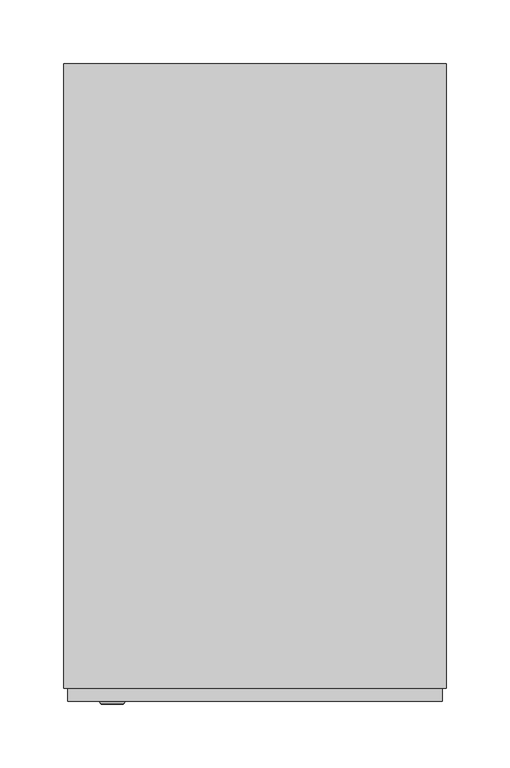
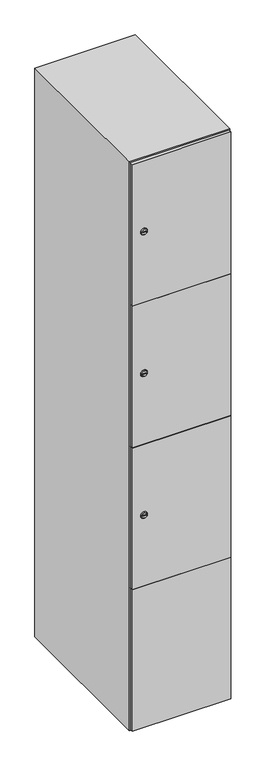
"""IFC4 building model written with IfcOpenShell, lengths in millimetres: furniture geometry."""

from ifc_helpers import new_model, si_unit, point, frame, frame_2d, origin, place, context, project, spatial, polyline, circle_curve, trimmed, segment, composite_curve, outline, extrude, faceted_brep, source, transform, mapped, element, save
from ifc_brep_helpers import plane_surface, revolved_surface, advanced_brep


def furniture_d76f5373(model_context):
    return source(origin(), model_context, "Body", "SolidModel", [
        extrude(outline(composite_curve([segment(trimmed(circle_curve(frame_2d((710.75, -188.7989466)), 7.0), [point((717.75, -188.7989466))], [point((703.75, -188.7989466))], False, "CARTESIAN"), True, "CONTINUOUS"), segment(polyline([(703.75, -188.7989466), (703.75, -160.7989466)]), True, "CONTINUOUS"), segment(trimmed(circle_curve(frame_2d((710.75, -160.7989466)), 7.0), [point((703.75, -160.7989466))], [point((717.75, -160.7989466))], False, "CARTESIAN"), True, "CONTINUOUS"), segment(polyline([(717.75, -160.7989466), (717.75, -188.7989466)]), True, "CONTINUOUS")], self_intersect=False)), frame((0.0, -245.0, 0.0), z_axis=(0.0, 1.0, 0.0), x_axis=(0.0, 0.0, 1.0)), (0.0, 0.0, 1.0), 2.0),
        advanced_brep(
        [(-153.5, -257.2, 710.75), (-170.5, -257.2, 710.75), (-167.0, -257.2, 709.5), (-167.0, -257.2, 712.0), (-157.0, -257.2, 712.0), (-157.0, -257.2, 709.5), (-151.5, -255.0, 710.75), (-172.5, -255.0, 710.75), (-167.0, -255.0, 712.0), (-167.0, -255.0, 709.5), (-157.0, -255.0, 709.5), (-157.0, -255.0, 712.0)],
        [
            (0, 1, circle_curve(frame((-162.0, -257.2, 710.75), z_axis=(0.0, -1.0, 0.0), x_axis=(1.0, 0.0, 0.0)), 8.5)),
            (1, 0, circle_curve(frame((-162.0, -257.2, 710.75), z_axis=(0.0, -1.0, 0.0), x_axis=(-1.0, 0.0, 0.0)), 8.5)),
            (2, 3),
            (3, 4),
            (4, 5),
            (5, 2),
            (6, 7, circle_curve(frame((-162.0, -255.0, 710.75), z_axis=(0.0, 1.0, 0.0), x_axis=(-1.0, 0.0, 0.0)), 10.5)),
            (7, 6, circle_curve(frame((-162.0, -255.0, 710.75), z_axis=(0.0, 1.0, 0.0), x_axis=(1.0, 0.0, 0.0)), 10.5)),
            (8, 9),
            (9, 10),
            (10, 11),
            (11, 8),
            (0, 6),
            (7, 1),
            (8, 3),
            (2, 9),
            (11, 4),
            (10, 5),
        ],
        [
            plane_surface(frame((-162.0, -257.2, 710.75), z_axis=(0.0, -1.0, 0.0), x_axis=(0.0, 0.0, 1.0))),
            plane_surface(frame((-162.0, -255.0, 710.75), z_axis=(0.0, 1.0, 0.0), x_axis=(0.0, 0.0, 1.0))),
            revolved_surface(polyline([(-153.5, -257.2, 710.75), (-151.5, -255.0, 710.75)]), (-162.0, -266.55, 710.75), (0.0, 1.0, 0.0)),
            revolved_surface(polyline([(-170.5, -257.2, 710.75), (-172.5, -255.0, 710.75)]), (-162.0, -266.55, 710.75), (0.0, 1.0, 0.0)),
            plane_surface(frame((-167.0, -255.0, 709.5), z_axis=(1.0, 0.0, 0.0), x_axis=(0.0, -1.0, 0.0))),
            plane_surface(frame((-167.0, -255.0, 712.0), z_axis=(0.0, 0.0, -1.0), x_axis=(0.0, -1.0, 0.0))),
            plane_surface(frame((-157.0, -255.0, 712.0), z_axis=(-1.0, 0.0, 0.0), x_axis=(0.0, -1.0, 0.0))),
            plane_surface(frame((-157.0, -255.0, 709.5), z_axis=(0.0, 0.0, 1.0), x_axis=(0.0, -1.0, 0.0))),
        ],
        [
            (0, [[1, 2], [3, 4, 5, 6]]),
            (1, [[7, 8], [9, 10, 11, 12]]),
            (2, [[-1, 13, -8, 14]]),
            (3, [[-2, -14, -7, -13]]),
            (4, [[15, -3, 16, -9]]),
            (5, [[-15, -12, 17, -4]]),
            (6, [[-17, -11, 18, -5]]),
            (7, [[-16, -6, -18, -10]]),
        ],
    ),
        extrude(outline(composite_curve([segment(trimmed(circle_curve(frame_2d((1159.25, -188.7989466)), 7.0), [point((1166.25, -188.7989466))], [point((1152.25, -188.7989466))], False, "CARTESIAN"), True, "CONTINUOUS"), segment(polyline([(1152.25, -188.7989466), (1152.25, -160.7989466)]), True, "CONTINUOUS"), segment(trimmed(circle_curve(frame_2d((1159.25, -160.7989466)), 7.0), [point((1152.25, -160.7989466))], [point((1166.25, -160.7989466))], False, "CARTESIAN"), True, "CONTINUOUS"), segment(polyline([(1166.25, -160.7989466), (1166.25, -188.7989466)]), True, "CONTINUOUS")], self_intersect=False)), frame((0.0, -245.0, 0.0), z_axis=(0.0, 1.0, 0.0), x_axis=(0.0, 0.0, 1.0)), (0.0, 0.0, 1.0), 2.0),
        advanced_brep(
        [(-153.5, -257.2, 1159.25), (-170.5, -257.2, 1159.25), (-167.0, -257.2, 1158.0), (-167.0, -257.2, 1160.5), (-157.0, -257.2, 1160.5), (-157.0, -257.2, 1158.0), (-151.5, -255.0, 1159.25), (-172.5, -255.0, 1159.25), (-167.0, -255.0, 1160.5), (-167.0, -255.0, 1158.0), (-157.0, -255.0, 1158.0), (-157.0, -255.0, 1160.5)],
        [
            (0, 1, circle_curve(frame((-162.0, -257.2, 1159.25), z_axis=(0.0, -1.0, 0.0), x_axis=(1.0, 0.0, 0.0)), 8.5)),
            (1, 0, circle_curve(frame((-162.0, -257.2, 1159.25), z_axis=(0.0, -1.0, 0.0), x_axis=(-1.0, 0.0, 0.0)), 8.5)),
            (2, 3),
            (3, 4),
            (4, 5),
            (5, 2),
            (6, 7, circle_curve(frame((-162.0, -255.0, 1159.25), z_axis=(0.0, 1.0, 0.0), x_axis=(-1.0, 0.0, 0.0)), 10.5)),
            (7, 6, circle_curve(frame((-162.0, -255.0, 1159.25), z_axis=(0.0, 1.0, 0.0), x_axis=(1.0, 0.0, 0.0)), 10.5)),
            (8, 9),
            (9, 10),
            (10, 11),
            (11, 8),
            (0, 6),
            (7, 1),
            (8, 3),
            (2, 9),
            (11, 4),
            (10, 5),
        ],
        [
            plane_surface(frame((-162.0, -257.2, 1159.25), z_axis=(0.0, -1.0, 0.0), x_axis=(0.0, 0.0, 1.0))),
            plane_surface(frame((-162.0, -255.0, 1159.25), z_axis=(0.0, 1.0, 0.0), x_axis=(0.0, 0.0, 1.0))),
            revolved_surface(polyline([(-153.5, -257.2, 1159.25), (-151.5, -255.0, 1159.25)]), (-162.0, -266.55, 1159.25), (0.0, 1.0, 0.0)),
            revolved_surface(polyline([(-170.5, -257.2, 1159.25), (-172.5, -255.0, 1159.25)]), (-162.0, -266.55, 1159.25), (0.0, 1.0, 0.0)),
            plane_surface(frame((-167.0, -255.0, 1158.0), z_axis=(1.0, 0.0, 0.0), x_axis=(0.0, -1.0, 0.0))),
            plane_surface(frame((-167.0, -255.0, 1160.5), z_axis=(0.0, 0.0, -1.0), x_axis=(0.0, -1.0, 0.0))),
            plane_surface(frame((-157.0, -255.0, 1160.5), z_axis=(-1.0, 0.0, 0.0), x_axis=(0.0, -1.0, 0.0))),
            plane_surface(frame((-157.0, -255.0, 1158.0), z_axis=(0.0, 0.0, 1.0), x_axis=(0.0, -1.0, 0.0))),
        ],
        [
            (0, [[1, 2], [3, 4, 5, 6]]),
            (1, [[7, 8], [9, 10, 11, 12]]),
            (2, [[-1, 13, -8, 14]]),
            (3, [[-2, -14, -7, -13]]),
            (4, [[15, -3, 16, -9]]),
            (5, [[-15, -12, 17, -4]]),
            (6, [[-17, -11, 18, -5]]),
            (7, [[-16, -6, -18, -10]]),
        ],
    ),
        extrude(outline(composite_curve([segment(trimmed(circle_curve(frame_2d((1607.75, -188.7989466)), 7.0), [point((1614.75, -188.7989466))], [point((1600.75, -188.7989466))], False, "CARTESIAN"), True, "CONTINUOUS"), segment(polyline([(1600.75, -188.7989466), (1600.75, -160.7989466)]), True, "CONTINUOUS"), segment(trimmed(circle_curve(frame_2d((1607.75, -160.7989466)), 7.0), [point((1600.75, -160.7989466))], [point((1614.75, -160.7989466))], False, "CARTESIAN"), True, "CONTINUOUS"), segment(polyline([(1614.75, -160.7989466), (1614.75, -188.7989466)]), True, "CONTINUOUS")], self_intersect=False)), frame((0.0, -245.0, 0.0), z_axis=(0.0, 1.0, 0.0), x_axis=(0.0, 0.0, 1.0)), (0.0, 0.0, 1.0), 2.0),
        advanced_brep(
        [(-153.5, -257.2, 1607.75), (-170.5, -257.2, 1607.75), (-167.0, -257.2, 1606.5), (-167.0, -257.2, 1609.0), (-157.0, -257.2, 1609.0), (-157.0, -257.2, 1606.5), (-151.5, -255.0, 1607.75), (-172.5, -255.0, 1607.75), (-167.0, -255.0, 1609.0), (-167.0, -255.0, 1606.5), (-157.0, -255.0, 1606.5), (-157.0, -255.0, 1609.0)],
        [
            (0, 1, circle_curve(frame((-162.0, -257.2, 1607.75), z_axis=(0.0, -1.0, 0.0), x_axis=(1.0, 0.0, 0.0)), 8.5)),
            (1, 0, circle_curve(frame((-162.0, -257.2, 1607.75), z_axis=(0.0, -1.0, 0.0), x_axis=(-1.0, 0.0, 0.0)), 8.5)),
            (2, 3),
            (3, 4),
            (4, 5),
            (5, 2),
            (6, 7, circle_curve(frame((-162.0, -255.0, 1607.75), z_axis=(0.0, 1.0, 0.0), x_axis=(-1.0, 0.0, 0.0)), 10.5)),
            (7, 6, circle_curve(frame((-162.0, -255.0, 1607.75), z_axis=(0.0, 1.0, 0.0), x_axis=(1.0, 0.0, 0.0)), 10.5)),
            (8, 9),
            (9, 10),
            (10, 11),
            (11, 8),
            (0, 6),
            (7, 1),
            (8, 3),
            (2, 9),
            (11, 4),
            (10, 5),
        ],
        [
            plane_surface(frame((-162.0, -257.2, 1607.75), z_axis=(0.0, -1.0, 0.0), x_axis=(0.0, 0.0, 1.0))),
            plane_surface(frame((-162.0, -255.0, 1607.75), z_axis=(0.0, 1.0, 0.0), x_axis=(0.0, 0.0, 1.0))),
            revolved_surface(polyline([(-153.5, -257.2, 1607.75), (-151.5, -255.0, 1607.75)]), (-162.0, -266.55, 1607.75), (0.0, 1.0, 0.0)),
            revolved_surface(polyline([(-170.5, -257.2, 1607.75), (-172.5, -255.0, 1607.75)]), (-162.0, -266.55, 1607.75), (0.0, 1.0, 0.0)),
            plane_surface(frame((-167.0, -255.0, 1606.5), z_axis=(1.0, 0.0, 0.0), x_axis=(0.0, -1.0, 0.0))),
            plane_surface(frame((-167.0, -255.0, 1609.0), z_axis=(0.0, 0.0, -1.0), x_axis=(0.0, -1.0, 0.0))),
            plane_surface(frame((-157.0, -255.0, 1609.0), z_axis=(-1.0, 0.0, 0.0), x_axis=(0.0, -1.0, 0.0))),
            plane_surface(frame((-157.0, -255.0, 1606.5), z_axis=(0.0, 0.0, 1.0), x_axis=(0.0, -1.0, 0.0))),
        ],
        [
            (0, [[1, 2], [3, 4, 5, 6]]),
            (1, [[7, 8], [9, 10, 11, 12]]),
            (2, [[-1, 13, -8, 14]]),
            (3, [[-2, -14, -7, -13]]),
            (4, [[15, -3, 16, -9]]),
            (5, [[-15, -12, 17, -4]]),
            (6, [[-17, -11, 18, -5]]),
            (7, [[-16, -6, -18, -10]]),
        ],
    ),
        extrude(outline(polyline([(97.0, -245.0), (97.0, -255.0), (-197.0, -255.0), (-197.0, -245.0), (97.0, -245.0)])), frame((0.0, 0.0, 486.0), z_axis=(0.0, 0.0, 1.0), x_axis=(1.0, 0.0, 0.0)), (0.0, 0.0, 1.0), 448.5),
        extrude(outline(polyline([(97.0, -245.0), (97.0, -255.0), (-197.0, -255.0), (-197.0, -245.0), (97.0, -245.0)])), frame((0.0, 0.0, 935.5), z_axis=(0.0, 0.0, 1.0), x_axis=(1.0, 0.0, 0.0)), (0.0, 0.0, 1.0), 447.5),
        extrude(outline(polyline([(-197.0, -255.0), (-197.0, -245.0), (97.0, -245.0), (97.0, -255.0), (-197.0, -255.0)])), frame((0.0, 0.0, 1384.0), z_axis=(0.0, 0.0, 1.0), x_axis=(1.0, 0.0, 0.0)), (0.0, 0.0, 1.0), 448.0),
        extrude(outline(polyline([(97.0, -245.0), (97.0, -255.0), (-197.0, -255.0), (-197.0, -245.0), (97.0, -245.0)])), frame((0.0, 0.0, 38.0), z_axis=(0.0, 0.0, 1.0), x_axis=(1.0, 0.0, 0.0)), (0.0, 0.0, 1.0), 449.0),
        extrude(outline(polyline([(79.6, 242.0), (79.6, -235.0), (-179.6, -235.0), (-179.6, 242.0), (79.6, 242.0)])), frame((0.0, 0.0, 1359.7), z_axis=(0.0, 0.0, 1.0), x_axis=(1.0, 0.0, 0.0)), (0.0, 0.0, 1.0), 20.4),
        extrude(outline(polyline([(79.6, 242.0), (79.6, -235.0), (-179.6, -235.0), (-179.6, 242.0), (79.6, 242.0)])), frame((0.0, 0.0, 924.8), z_axis=(0.0, 0.0, 1.0), x_axis=(1.0, 0.0, 0.0)), (0.0, 0.0, 1.0), 20.4),
        extrude(outline(polyline([(79.6, 242.0), (79.6, -235.0), (-179.6, -235.0), (-179.6, 242.0), (79.6, 242.0)])), frame((0.0, 0.0, 489.9), z_axis=(0.0, 0.0, 1.0), x_axis=(1.0, 0.0, 0.0)), (0.0, 0.0, 1.0), 20.4),
        faceted_brep([(100.0, -245.0, 35.0), (100.0, -245.0, 1835.0), (-200.0, -245.0, 1835.0), (-200.0, -245.0, 35.0), (79.6, -245.0, 1804.8), (79.6, -245.0, 65.2), (-179.6, -245.0, 65.2), (-179.6, -245.0, 1804.8), (100.0, 245.0, 35.0), (-200.0, 245.0, 35.0), (100.0, 245.0, 1835.0), (-200.0, 245.0, 1835.0), (79.6, 242.0, 1804.8), (79.6, 242.0, 65.2), (-200.0, 245.0, 1804.8), (-179.6, 242.0, 1804.8), (-179.6, 242.0, 65.2)], [[[0, 1, 2, 3], [4, 5, 6, 7]], [[8, 0, 3, 9]], [[1, 0, 8, 10]], [[1, 10, 11, 2]], [[4, 12, 13, 5]], [[9, 3, 2, 11, 14]], [[10, 8, 9, 14, 11]], [[12, 15, 16, 13]], [[15, 7, 6, 16]], [[4, 7, 15, 12]], [[6, 5, 13, 16]]]),
    ])


if __name__ == "__main__":
    model = new_model("IFC4")
    model_context = context("Model", 3, world=origin())
    ifc_project = project(units=[si_unit("LENGTHUNIT", "METRE", prefix="MILLI")], contexts=[model_context])
    site = spatial("IfcSite", under=ifc_project)
    building = spatial("IfcBuilding", under=site)
    placement = place(None, origin())
    furniture_shape = furniture_d76f5373(model_context)
    element("IfcFurniture", 1, at=placement, inside=building, context=model_context, shape_type="MappedRepresentation", body=[
        mapped(furniture_shape, transform((0.0, 0.0, 0.0), x_axis=(1.0, 0.0, 0.0), y_axis=(0.0, 1.0, 0.0), z_axis=(0.0, 0.0, 1.0))),
    ])
    save(model, "model.ifc")
